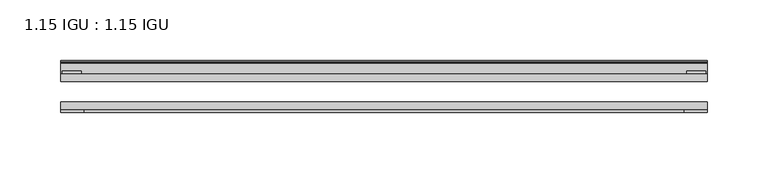
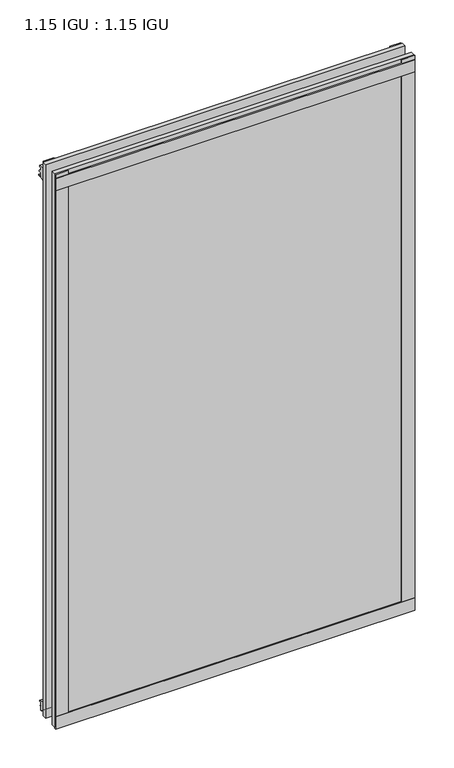
"""IFC4 building model written with IfcOpenShell, lengths in millimetres: plate geometry, 1.15 IGU : 1.15 IGU."""

from ifc_helpers import new_model, si_unit, point, frame, frame_2d, origin, place, context, project, spatial, polyline, circle_curve, trimmed, segment, composite_curve, outline, extrude, source, transform, mapped, element, save


def plate_1_15_igu_1_15_igu_117e77a4(model_context):
    return source(origin(), model_context, "Body", "SweptSolid", [
        extrude(outline(polyline([(266.773508, 0.0), (266.773508, -6.2992), (-266.773508, -6.2992), (-266.773508, 0.0), (266.773508, 0.0)])), frame((0.0, 0.0, -17.4498), z_axis=(0.0, 0.0, 1.0), x_axis=(1.0, 0.0, 0.0)), (0.0, 0.0, 1.0), 868.3366072),
        extrude(outline(polyline([(-266.773508, -23.1648), (266.773508, -23.1648), (266.773508, -29.464), (-266.773508, -29.464), (-266.773508, -23.1648)])), frame((0.0, 0.0, -17.4498), z_axis=(0.0, 0.0, 1.0), x_axis=(1.0, 0.0, 0.0)), (0.0, 0.0, 1.0), 868.3366072),
        extrude(outline(polyline([(-266.773508, -31.75), (-266.773508, -29.464), (266.773508, -29.464), (266.773508, -31.75), (-266.773508, -31.75)])), frame((0.0, 0.0, -19.05), z_axis=(0.0, 0.0, 1.0), x_axis=(1.0, 0.0, 0.0)), (0.0, 0.0, 1.0), 19.05),
        extrude(outline(composite_curve([segment(trimmed(circle_curve(frame_2d((13.6593785, 32.4202472)), 31.3046461), [point((0.0, 4.2528503))], [point((9.3980339, 1.406995))], True, "CARTESIAN"), True, "CONTINUOUS"), segment(polyline([(9.3980339, 1.406995), (9.3980339, 0.0254), (6.35, 0.0254), (6.35, -5.1625788), (7.7309478, -5.3970663), (6.35, -8.0073788), (6.35, -11.8471127)]), True, "CONTINUOUS"), segment(trimmed(circle_curve(frame_2d((5.334, -11.8471127)), 1.016), [point((6.35, -11.8471127))], [point((4.6284878, -12.5782136))], False, "CARTESIAN"), True, "CONTINUOUS"), segment(trimmed(circle_curve(frame_2d((-23.3689302, -41.5910901)), 40.3187601), [point((4.6284878, -12.5782136))], [point((0.0, -8.735413))], True, "CARTESIAN"), True, "CONTINUOUS"), segment(polyline([(0.0, -8.735413), (0.0, 4.2528503)]), True, "CONTINUOUS")], self_intersect=False)), frame((-266.773508, 0.0, 0.0), z_axis=(1.0, 0.0, 0.0), x_axis=(0.0, 1.0, 0.0)), (0.0, 0.0, 1.0), 533.547016),
        extrude(outline(composite_curve([segment(polyline([(8.509, 840.7300284), (8.509, 838.6980284), (6.35, 838.6980284), (6.35, 833.3640284), (8.9492698, 833.3640284)]), True, "CONTINUOUS"), segment(trimmed(circle_curve(frame_2d((8.208689, 831.8368072)), 1.697311), [point((8.9492698, 833.3640284))], [point((8.962411, 830.3160284))], False, "CARTESIAN"), True, "CONTINUOUS"), segment(polyline([(8.962411, 830.3160284), (6.35, 830.3160284), (6.35, 825.4868072), (11.1252, 825.4868072), (11.1252, 824.5978072)]), True, "CONTINUOUS"), segment(trimmed(circle_curve(frame_2d((10.1092, 824.5978072)), 1.016), [point((11.1252, 824.5978072))], [point((10.1092, 823.5818072))], False, "CARTESIAN"), True, "CONTINUOUS"), segment(trimmed(circle_curve(frame_2d((10.1092, 804.1707318)), 19.4110754), [point((10.1092, 823.5818072))], [point((0.0, 820.7416075))], True, "CARTESIAN"), True, "CONTINUOUS"), segment(polyline([(0.0, 820.7416075), (0.0, 840.7300284), (8.509, 840.7300284)]), True, "CONTINUOUS")], self_intersect=False)), frame((-266.773508, 0.0, 0.0), z_axis=(1.0, 0.0, 0.0), x_axis=(0.0, 1.0, 0.0)), (0.0, 0.0, 1.0), 533.547016),
        extrude(outline(polyline([(-266.773508, -31.75), (-266.773508, -29.464), (266.773508, -29.464), (266.773508, -31.75), (-266.773508, -31.75)])), frame((0.0, 0.0, 825.4868072), z_axis=(0.0, 0.0, 1.0), x_axis=(1.0, 0.0, 0.0)), (0.0, 0.0, 1.0), 19.05),
        extrude(outline(polyline([(247.723508, -29.464), (266.773508, -29.464), (266.773508, -31.75), (247.723508, -31.75), (247.723508, -29.464)])), frame((0.0, 0.0, -17.4498), z_axis=(0.0, 0.0, 1.0), x_axis=(1.0, 0.0, 0.0)), (0.0, 0.0, 1.0), 868.3366072),
        extrude(outline(polyline([(265.567008, 2.2860088), (265.567008, 0.0021347), (249.692008, 0.0021347), (249.692008, 2.2860088), (265.567008, 2.2860088)])), frame((0.0, 0.0, -17.4498), z_axis=(0.0, 0.0, 1.0), x_axis=(1.0, 0.0, 0.0)), (0.0, 0.0, 1.0), 868.3366072),
        extrude(outline(polyline([(-266.773508, -31.75), (-266.773508, -29.464), (-247.723508, -29.464), (-247.723508, -31.75), (-266.773508, -31.75)])), frame((0.0, 0.0, -17.4498), z_axis=(0.0, 0.0, 1.0), x_axis=(1.0, 0.0, 0.0)), (0.0, 0.0, 1.0), 868.3366072),
        extrude(outline(polyline([(-265.567008, 0.0), (-265.567008, 2.286), (-249.692008, 2.286), (-249.692008, 0.0), (-265.567008, 0.0)])), frame((0.0, 0.0, -17.4498), z_axis=(0.0, 0.0, 1.0), x_axis=(1.0, 0.0, 0.0)), (0.0, 0.0, 1.0), 868.3366072),
    ])


if __name__ == "__main__":
    model = new_model("IFC4")
    model_context = context("Model", 3, world=origin())
    ifc_project = project(units=[si_unit("LENGTHUNIT", "METRE", prefix="MILLI")], contexts=[model_context])
    site = spatial("IfcSite", under=ifc_project)
    building = spatial("IfcBuilding", under=site)
    placement = place(None, origin())
    plate_1_15_igu_1_15_igu_shape = plate_1_15_igu_1_15_igu_117e77a4(model_context)
    element("IfcPlate", 1, ObjectType="1.15 IGU : 1.15 IGU", at=placement, inside=building, context=model_context, shape_type="MappedRepresentation", body=[
        mapped(plate_1_15_igu_1_15_igu_shape, transform((0.0, 0.0, 0.0), x_axis=(1.0, 0.0, 0.0), y_axis=(0.0, 1.0, 0.0), z_axis=(0.0, 0.0, 1.0))),
    ])
    save(model, "model.ifc")
